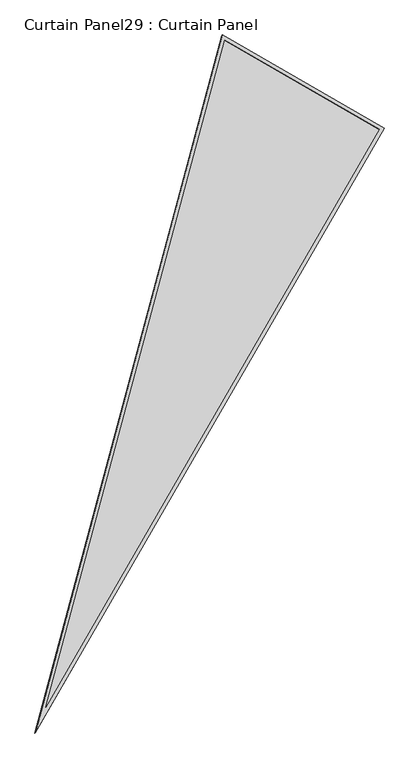
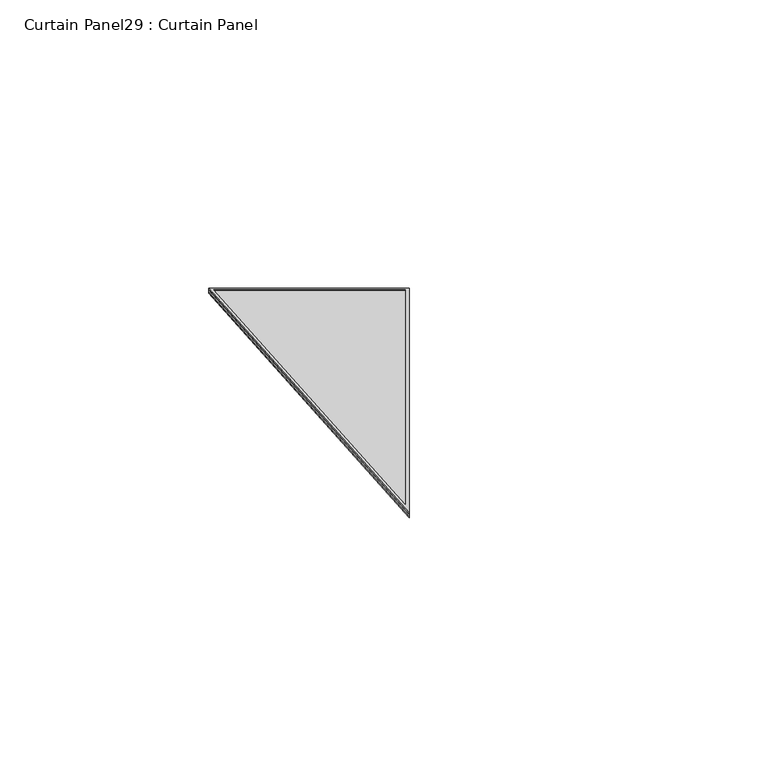
"""IFC4 building model written with IfcOpenShell, lengths in millimetres: plate geometry, Curtain Panel29 : Curtain Panel."""

from ifc_helpers import new_model, si_unit, frame, origin, place, context, project, spatial, polyline, outline, extrude, source, transform, mapped, element, save


def curtain_panel29_curtain_panel_77931550(model_context):
    return source(origin(), model_context, "Body", "SweptSolid", [
        extrude(outline(polyline([(895.917553, 0.0), (895.917553, -3524.3727628), (0.0, 0.0), (895.917553, 0.0)]), holes=[polyline([(879.2547551, -16.6627978), (21.4285394, -16.6627979), (879.2547551, -3391.1913355), (879.2547551, -16.6627978)])]), frame((14082.4614339, 7984.3189676, 898.6840946), z_axis=(0.15807291198690593, 0.2737903148616775, 0.9487106081329141), x_axis=(0.8660254037844334, -0.5000000000000093, 0.0)), (0.0, 0.0, 1.0), 4.8486847),
        extrude(outline(polyline([(895.917553, 0.0), (895.917553, -3524.3727628), (0.0, 0.0), (895.917553, 0.0)]), holes=[polyline([(885.6047551, -10.3127979), (13.2623703, -10.3127979), (885.6047551, -3441.9452407), (885.6047551, -10.3127979)])]), frame((14079.6777587, 7979.4975008, 881.9772337), z_axis=(0.15807291198690568, 0.27379031486167754, 0.9487106081329142), x_axis=(0.8660254037844335, -0.5000000000000089, 0.0)), (0.0, 0.0, 1.0), 4.7317885),
        extrude(outline(polyline([(20.2034565, 1e-07), (916.1210095, 1e-07), (916.1210095, -3524.3727628), (20.2034565, 1e-07)])), frame((14062.9290197, 7990.8947469, 886.4663317), z_axis=(0.15807291198690576, 0.2737903148616775, 0.9487106081329141), x_axis=(0.8660254037844338, -0.5000000000000083, 0.0)), (0.0, 0.0, 1.0), 12.8782822),
    ])


if __name__ == "__main__":
    model = new_model("IFC4")
    model_context = context("Model", 3, world=origin())
    ifc_project = project(units=[si_unit("LENGTHUNIT", "METRE", prefix="MILLI")], contexts=[model_context])
    site = spatial("IfcSite", under=ifc_project)
    building = spatial("IfcBuilding", under=site)
    placement = place(None, origin())
    curtain_panel29_curtain_panel_shape = curtain_panel29_curtain_panel_77931550(model_context)
    element("IfcPlate", 1, ObjectType="Curtain Panel29 : Curtain Panel", at=placement, inside=building, context=model_context, shape_type="MappedRepresentation", body=[
        mapped(curtain_panel29_curtain_panel_shape, transform((0.0, 0.0, 0.0), x_axis=(1.0, 0.0, 0.0), y_axis=(0.0, 1.0, 0.0), z_axis=(0.0, 0.0, 1.0))),
    ])
    save(model, "model.ifc")
